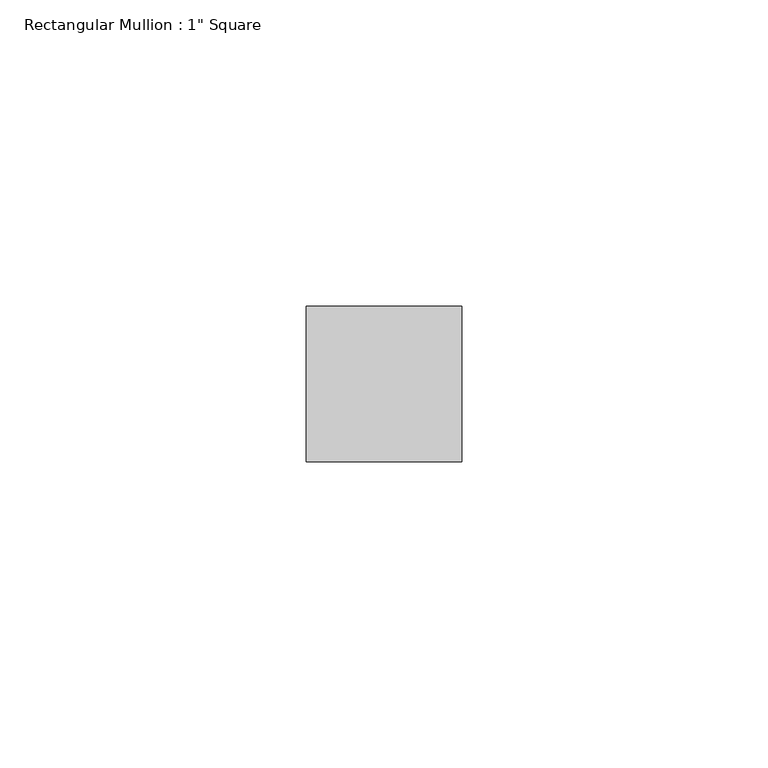
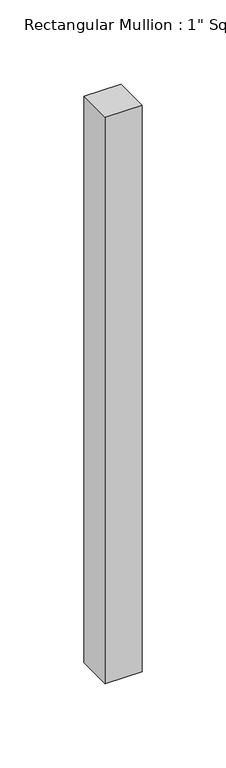
"""IFC4 building model written with IfcOpenShell, lengths in millimetres: member geometry."""

import ifcopenshell
import ifcopenshell.guid

model = None  # the IFC model being written
_history = None  # IfcOwnerHistory: only IFC2X3 demands one
_inside = {}  # id of a spatial element -> (the spatial element, [elements in it])
_under = {}  # id of a project, library or spatial element -> (it, [spatial elements below it])
_declared = {}  # id of a project -> (the project, [libraries it declares])
_typed = {}  # id of a type object -> (the type object, [elements of that type])
_made_of = {}  # id of a material, layer set ... -> (it, [elements and type objects made of it])


def new_model(schema):
    """Start an empty IFC model of exactly this schema.

    Asked for "IFC4X3", IfcOpenShell would pick the latest addendum, in which some entities
    have other attributes; the version numbers below select the first issue.
    IFC2X3 requires an IfcOwnerHistory on every rooted entity: one is made here for all.
    """
    global model, _history
    if schema == "IFC4X3":
        model = ifcopenshell.file(schema_version=(4, 3, 0, 0))
    else:
        model = ifcopenshell.file(schema=schema)
    _inside.clear()
    _under.clear()
    _declared.clear()
    _typed.clear()
    _made_of.clear()
    _history = None
    if model.schema == "IFC2X3":
        org = make("IfcOrganization", Name="unknown")
        user = make(
            "IfcPersonAndOrganization",
            ThePerson=make("IfcPerson", FamilyName="unknown"),
            TheOrganization=org,
        )
        app = make(
            "IfcApplication",
            ApplicationDeveloper=org,
            Version="unknown",
            ApplicationFullName="unknown",
            ApplicationIdentifier="unknown",
        )
        _history = make(
            "IfcOwnerHistory",
            OwningUser=user,
            OwningApplication=app,
            ChangeAction="ADDED",
            CreationDate=0,
        )
    return model


def make(cls, **values):
    """One entity of the class cls with the attributes given. An attribute that is None is left unset."""
    return model.create_entity(
        cls, **{name: value for name, value in values.items() if value is not None}
    )


def rooted(cls, **values):
    """An entity with a GlobalId (a new one), such as an element, a storey or a relation."""
    return make(cls, GlobalId=ifcopenshell.guid.new(), OwnerHistory=_history, **values)


def si_unit(unit_type, name, prefix=None):
    """IfcSIUnit, for example si_unit("LENGTHUNIT", "METRE", prefix="MILLI")."""
    return make("IfcSIUnit", UnitType=unit_type, Prefix=prefix, Name=name)


def assignment(units):
    """IfcUnitAssignment: the units of a project."""
    return None if units is None else make("IfcUnitAssignment", Units=units)


def point(xyz):
    """IfcCartesianPoint."""
    return None if xyz is None else make("IfcCartesianPoint", Coordinates=xyz)


def direction(xyz):
    """IfcDirection."""
    return None if xyz is None else make("IfcDirection", DirectionRatios=xyz)


def frame(location, z_axis=None, x_axis=None):
    """IfcAxis2Placement3D, a coordinate frame: its origin and axes. An axis left out is left unset."""
    return make(
        "IfcAxis2Placement3D",
        Location=point(location),
        Axis=direction(z_axis),
        RefDirection=direction(x_axis),
    )


def origin():
    """The frame at (0, 0, 0) with its axes left unset."""
    return frame((0.0, 0.0, 0.0))


def place(relative_to, where):
    """IfcLocalPlacement: puts the frame where relative to a parent placement (None: the world)."""
    return make(
        "IfcLocalPlacement", PlacementRelTo=relative_to, RelativePlacement=where
    )


def context(
    kind, dimensions, precision=None, world=None, true_north=None, identifier=None
):
    """IfcGeometricRepresentationContext, for example the 3D "Model" context."""
    return make(
        "IfcGeometricRepresentationContext",
        ContextIdentifier=identifier,
        ContextType=kind,
        CoordinateSpaceDimension=dimensions,
        Precision=precision,
        WorldCoordinateSystem=world,
        TrueNorth=true_north,
    )


def project(units=None, contexts=None):
    """IfcProject with its units and contexts."""
    return rooted(
        "IfcProject",
        Name="project",
        RepresentationContexts=contexts,
        UnitsInContext=assignment(units),
    )


def spatial(cls, under=None, at=None, **own):
    """A site, building, storey or space (cls), placed at a placement, below another one or the project."""
    s = rooted(cls, ObjectPlacement=at, **own)
    if under is not None:
        _under.setdefault(under.id(), (under, []))[1].append(s)
    return s


def polyline(points):
    """IfcPolyline through the points."""
    return make("IfcPolyline", Points=[point(p) for p in points])


def outline(outer, holes=None, kind="AREA"):
    """IfcArbitraryClosedProfileDef: a profile drawn as a closed curve; with holes, ...WithVoids."""
    if holes is None:
        return make("IfcArbitraryClosedProfileDef", ProfileType=kind, OuterCurve=outer)
    return make(
        "IfcArbitraryProfileDefWithVoids",
        ProfileType=kind,
        OuterCurve=outer,
        InnerCurves=holes,
    )


def extrude(swept, where, along, depth):
    """IfcExtrudedAreaSolid: the profile swept, set in the frame where, extruded along a direction by depth."""
    return make(
        "IfcExtrudedAreaSolid",
        SweptArea=swept,
        Position=where,
        ExtrudedDirection=direction(along),
        Depth=depth,
    )


def shape(context_of_items, identifier, shape_type, items):
    """IfcShapeRepresentation: the items that make up one representation, for example the "Body"."""
    return make(
        "IfcShapeRepresentation",
        ContextOfItems=context_of_items,
        RepresentationIdentifier=identifier,
        RepresentationType=shape_type,
        Items=items,
    )


def source(mapping_origin, context_of_items, identifier, shape_type, items):
    """IfcRepresentationMap: a shape defined once, which mapped items show again and again."""
    return make(
        "IfcRepresentationMap",
        MappingOrigin=mapping_origin,
        MappedRepresentation=shape(context_of_items, identifier, shape_type, items),
    )


def transform(
    local_origin,
    x_axis=None,
    y_axis=None,
    z_axis=None,
    scale=None,
    scale2=None,
    scale3=None,
    uniform=True,
):
    """IfcCartesianTransformationOperator3D, or its non-uniform kind. x_axis, y_axis, z_axis: its Axis1, 2, 3."""
    if uniform:
        return make(
            "IfcCartesianTransformationOperator3D",
            Axis1=direction(x_axis),
            Axis2=direction(y_axis),
            LocalOrigin=point(local_origin),
            Scale=scale,
            Axis3=direction(z_axis),
        )
    return make(
        "IfcCartesianTransformationOperator3DnonUniform",
        Axis1=direction(x_axis),
        Axis2=direction(y_axis),
        LocalOrigin=point(local_origin),
        Scale=scale,
        Axis3=direction(z_axis),
        Scale2=scale2,
        Scale3=scale3,
    )


def mapped(mapping_source, mapping_target):
    """IfcMappedItem: shows the shape of a source again, moved by a transform."""
    return make(
        "IfcMappedItem", MappingSource=mapping_source, MappingTarget=mapping_target
    )


def made_of(thing, what):
    """Note that an element or type object is made of a material, layer set ...; save() writes the relation."""
    if what is not None:
        _made_of.setdefault(what.id(), (what, []))[1].append(thing)
    return thing


def element(
    cls,
    number,
    at=None,
    inside=None,
    cuts=None,
    type_object=None,
    material=None,
    context=None,
    identifier="Body",
    shape_type=None,
    held_by="IfcProductDefinitionShape",
    body=None,
    shapes=None,
    **own,
):
    """One element of the class cls, such as IfcWall. Its Tag is "e" and its number.

    at: its placement. inside: the storey or other place that contains it. cuts: it is an
    opening in that element (IfcRelVoidsElement). A single representation is given by context,
    identifier, shape_type and body (its items); several are given by shapes. held_by: the class
    of the entity that holds the representations. save() writes the other relations.
    """
    e = rooted(cls, Tag="e%d" % number, ObjectPlacement=at, **own)
    if body is not None:
        shapes = [shape(context, identifier, shape_type, body)]
    if shapes is not None:
        e.Representation = make(held_by, Representations=shapes)
    if inside is not None:
        _inside.setdefault(inside.id(), (inside, []))[1].append(e)
    if cuts is not None:
        rooted(
            "IfcRelVoidsElement", RelatingBuildingElement=cuts, RelatedOpeningElement=e
        )
    if type_object is not None:
        _typed.setdefault(type_object.id(), (type_object, []))[1].append(e)
    return made_of(e, material)


def aggregate(whole, parts):
    """IfcRelAggregates: a whole, such as a stair, and the parts it consists of."""
    return rooted("IfcRelAggregates", RelatingObject=whole, RelatedObjects=parts)


def save(model, path):
    """Write the relations noted so far, then the file.

    IfcRelAggregates (storeys below a building ...), IfcRelContainedInSpatialStructure (elements
    in a storey), IfcRelDefinesByType, IfcRelAssociatesMaterial and IfcRelDeclares: one each for
    every whole, place, type object, material and project.
    """
    for whole, parts in _under.values():
        aggregate(whole, parts)
    for where, things in _inside.values():
        rooted(
            "IfcRelContainedInSpatialStructure",
            RelatedElements=things,
            RelatingStructure=where,
        )
    for kind, things in _typed.values():
        rooted("IfcRelDefinesByType", RelatedObjects=things, RelatingType=kind)
    for what, things in _made_of.values():
        rooted("IfcRelAssociatesMaterial", RelatedObjects=things, RelatingMaterial=what)
    for by, libraries in _declared.values():
        rooted("IfcRelDeclares", RelatingContext=by, RelatedDefinitions=libraries)
    model.write(path)


def member_6209d8b6(model_context):
    return source(origin(), model_context, "Body", "SweptSolid", [
        extrude(outline(polyline([(0.0, 12.7), (0.0, -12.7), (-25.4, -12.7), (-25.4, 12.7), (0.0, 12.7)])), frame((0.0, 0.0, -411.4022832), z_axis=(0.0, 0.0, 1.0), x_axis=(1.0, 0.0, 0.0)), (0.0, 0.0, 1.0), 411.4022832),
    ])


if __name__ == "__main__":
    model = new_model("IFC4")
    model_context = context("Model", 3, world=origin())
    ifc_project = project(units=[si_unit("LENGTHUNIT", "METRE", prefix="MILLI")], contexts=[model_context])
    site = spatial("IfcSite", under=ifc_project)
    building = spatial("IfcBuilding", under=site)
    placement = place(None, origin())
    member_shape = member_6209d8b6(model_context)
    element("IfcMember", 1, ObjectType="Rectangular Mullion : 1\" Square", at=placement, inside=building, context=model_context, shape_type="MappedRepresentation", body=[
        mapped(member_shape, transform((0.0, 0.0, 0.0), x_axis=(1.0, 0.0, 0.0), y_axis=(0.0, 1.0, 0.0), z_axis=(0.0, 0.0, 1.0))),
    ])
    save(model, "model.ifc")
